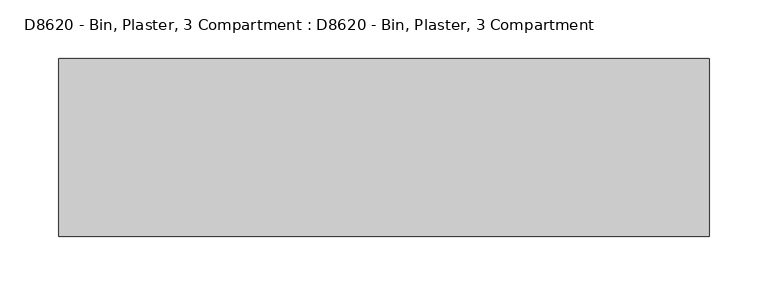
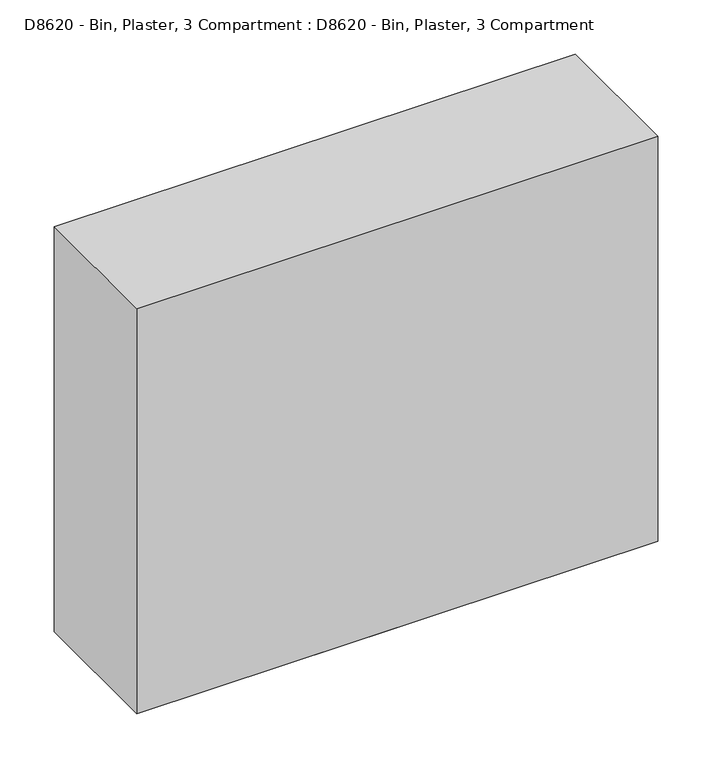
"""IFC4 building model written with IfcOpenShell, lengths in millimetres: proxy geometry, D8620 - Bin, Plaster, 3 Compartment : D8620 - Bin, Plaster, 3 Compartment."""

from ifc_helpers import new_model, si_unit, origin, origin_with_axes, place, context, project, spatial, polyline, outline, extrude, source, transform, mapped, element, save


def d8620_bin_plaster_3_compartment_d8620_bin_plaster_3_b1f4c0f4(model_context):
    return source(origin(), model_context, "Body", "SweptSolid", [
        extrude(outline(polyline([(251.4100172, 76.2), (251.4100172, -76.2), (-304.8, -76.2), (-304.8, 76.2), (251.4100172, 76.2)])), origin_with_axes(), (0.0, 0.0, 1.0), 457.2),
        extrude(outline(polyline([(-114.3, 76.2), (114.3, 76.2), (114.3, -76.2), (-114.3, -76.2), (-114.3, -19.05), (-114.3, 76.2)])), origin_with_axes(), (0.0, 0.0, 1.0), 101.6),
    ])


if __name__ == "__main__":
    model = new_model("IFC4")
    model_context = context("Model", 3, world=origin())
    ifc_project = project(units=[si_unit("LENGTHUNIT", "METRE", prefix="MILLI")], contexts=[model_context])
    site = spatial("IfcSite", under=ifc_project)
    building = spatial("IfcBuilding", under=site)
    placement = place(None, origin())
    d8620_bin_plaster_3_compartment_d8620_bin_plaster_3_shape = d8620_bin_plaster_3_compartment_d8620_bin_plaster_3_b1f4c0f4(model_context)
    element("IfcBuildingElementProxy", 1, Name="D8620 - Bin, Plaster, 3 Compartment : D8620 - Bin, Plaster, 3 Compartment", ObjectType="D8620 - Bin, Plaster, 3 Compartment : D8620 - Bin, Plaster, 3 Compartment", at=placement, inside=building, context=model_context, shape_type="MappedRepresentation", body=[
        mapped(d8620_bin_plaster_3_compartment_d8620_bin_plaster_3_shape, transform((0.0, 0.0, 0.0), x_axis=(1.0, 0.0, 0.0), y_axis=(0.0, 1.0, 0.0), z_axis=(0.0, 0.0, 1.0))),
    ])
    save(model, "model.ifc")
